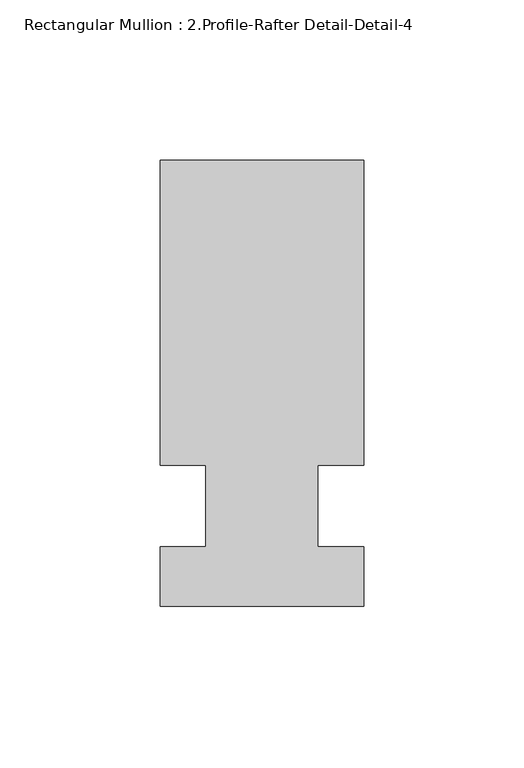
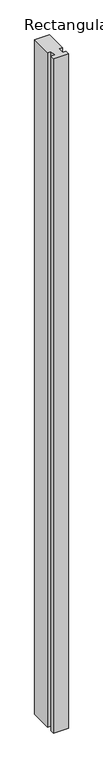
"""IFC4 building model written with IfcOpenShell, lengths in millimetres: member geometry, Rectangular Mullion : 2.Profile-Rafter Detail-Detail-4."""

from ifc_helpers import new_model, si_unit, frame, origin, place, context, project, spatial, polyline, outline, extrude, source, transform, mapped, element, save


def rectangular_mullion_2_profile_rafter_detail_detail_4_a0f3a86e(model_context):
    return source(origin(), model_context, "Body", "SweptSolid", [
        extrude(outline(polyline([(0.0, 43.91025), (-14.2875, 43.91025), (-14.2875, 18.51025), (0.0, 18.51025), (0.0, 0.0), (-63.5, 0.0), (-63.5, 18.51025), (-49.2125, 18.51025), (-49.2125, 43.91025), (-63.5, 43.91025), (-63.5, 139.16025), (0.0, 139.16025), (0.0, 43.91025)])), frame((0.0, 0.0, -3048.0), z_axis=(0.0, 0.0, 1.0), x_axis=(1.0, 0.0, 0.0)), (0.0, 0.0, 1.0), 3048.0),
    ])


if __name__ == "__main__":
    model = new_model("IFC4")
    model_context = context("Model", 3, world=origin())
    ifc_project = project(units=[si_unit("LENGTHUNIT", "METRE", prefix="MILLI")], contexts=[model_context])
    site = spatial("IfcSite", under=ifc_project)
    building = spatial("IfcBuilding", under=site)
    placement = place(None, origin())
    rectangular_mullion_2_profile_rafter_detail_detail_4_shape = rectangular_mullion_2_profile_rafter_detail_detail_4_a0f3a86e(model_context)
    element("IfcMember", 1, ObjectType="Rectangular Mullion : 2.Profile-Rafter Detail-Detail-4", at=placement, inside=building, context=model_context, shape_type="MappedRepresentation", body=[
        mapped(rectangular_mullion_2_profile_rafter_detail_detail_4_shape, transform((0.0, 0.0, 0.0), x_axis=(1.0, 0.0, 0.0), y_axis=(0.0, 1.0, 0.0), z_axis=(0.0, 0.0, 1.0))),
    ])
    save(model, "model.ifc")
